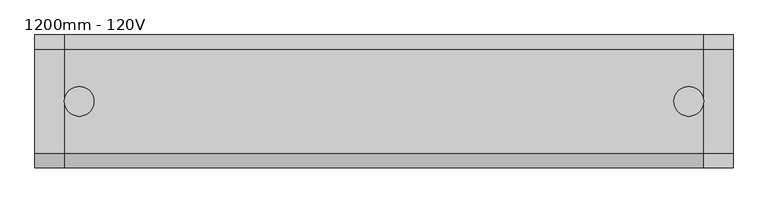
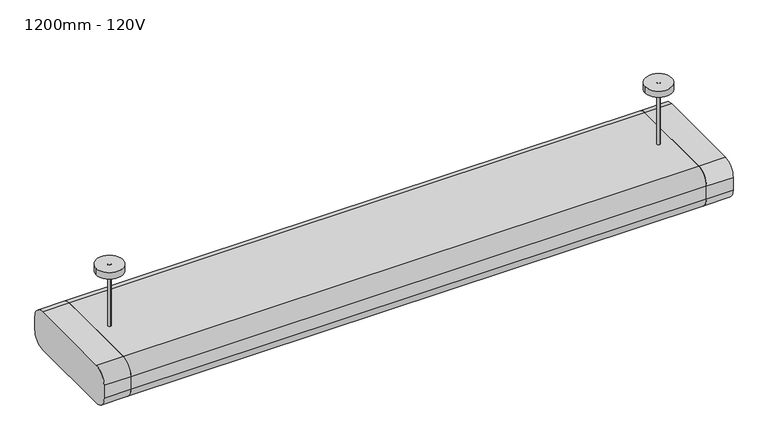
"""IFC4 building model written with IfcOpenShell, lengths in millimetres: light fixture geometry, 1200mm - 120V."""

from ifc_helpers import new_model, si_unit, point, frame, frame_2d, origin, place, context, project, spatial, polyline, circle_curve, trimmed, segment, composite_curve, outline, extrude, source, transform, mapped, element, save


def light_fixture_1200mm_120v_a37c5ce3(model_context):
    return source(origin(), model_context, "Body", "SweptSolid", [
        extrude(outline(composite_curve([segment(trimmed(circle_curve(frame_2d((88.9, 2289.2)), 25.4), [point((88.9, 2314.6))], [point((114.3, 2289.2))], False, "CARTESIAN"), True, "CONTINUOUS"), segment(polyline([(114.3, 2289.2), (114.3, 2263.8)]), True, "CONTINUOUS"), segment(trimmed(circle_curve(frame_2d((88.9, 2263.8)), 25.4), [point((114.3, 2263.8))], [point((88.9, 2238.4))], False, "CARTESIAN"), True, "CONTINUOUS"), segment(polyline([(88.9, 2238.4), (-88.9, 2238.4)]), True, "CONTINUOUS"), segment(trimmed(circle_curve(frame_2d((-88.9, 2263.8)), 25.4), [point((-88.9, 2238.4))], [point((-114.3, 2263.8))], False, "CARTESIAN"), True, "CONTINUOUS"), segment(polyline([(-114.3, 2263.8), (-114.3, 2289.2)]), True, "CONTINUOUS"), segment(trimmed(circle_curve(frame_2d((-88.9, 2289.2)), 25.4), [point((-114.3, 2289.2))], [point((-88.9, 2314.6))], False, "CARTESIAN"), True, "CONTINUOUS"), segment(polyline([(-88.9, 2314.6), (88.9, 2314.6)]), True, "CONTINUOUS")], self_intersect=False)), frame((549.2, 0.0, 0.0), z_axis=(1.0, 0.0, 0.0), x_axis=(0.0, 1.0, 0.0)), (0.0, 0.0, 1.0), 50.8),
        extrude(outline(composite_curve([segment(polyline([(-88.9, 2314.6), (88.9, 2314.6)]), True, "CONTINUOUS"), segment(trimmed(circle_curve(frame_2d((88.9, 2289.2)), 25.4), [point((88.9, 2314.6))], [point((114.3, 2289.2))], False, "CARTESIAN"), True, "CONTINUOUS"), segment(polyline([(114.3, 2289.2), (114.3, 2263.8)]), True, "CONTINUOUS"), segment(trimmed(circle_curve(frame_2d((88.9, 2263.8)), 25.4), [point((114.3, 2263.8))], [point((88.9, 2238.4))], False, "CARTESIAN"), True, "CONTINUOUS"), segment(polyline([(88.9, 2238.4), (-88.9, 2238.4)]), True, "CONTINUOUS"), segment(trimmed(circle_curve(frame_2d((-88.9, 2263.8)), 25.4), [point((-88.9, 2238.4))], [point((-114.3, 2263.8))], False, "CARTESIAN"), True, "CONTINUOUS"), segment(polyline([(-114.3, 2263.8), (-114.3, 2289.2)]), True, "CONTINUOUS"), segment(trimmed(circle_curve(frame_2d((-88.9, 2289.2)), 25.4), [point((-114.3, 2289.2))], [point((-88.9, 2314.6))], False, "CARTESIAN"), True, "CONTINUOUS")], self_intersect=False)), frame((-600.0, 0.0, 0.0), z_axis=(1.0, 0.0, 0.0), x_axis=(0.0, 1.0, 0.0)), (0.0, 0.0, 1.0), 50.8),
        extrude(outline(polyline([(549.2, 63.5), (549.2, -63.5), (-549.2, -63.5), (-549.2, 63.5), (549.2, 63.5)])), frame((0.0, 0.0, 2238.4), z_axis=(0.0, 0.0, 1.0), x_axis=(1.0, 0.0, 0.0)), (0.0, 0.0, 1.0), 12.7),
        extrude(outline(composite_curve([segment(trimmed(circle_curve(frame_2d((-523.8883785, 0.0)), 25.4), [point((-549.2883785, 0.0))], [point((-498.4883785, 0.0))], False, "CARTESIAN"), True, "CONTINUOUS"), segment(trimmed(circle_curve(frame_2d((-523.8883785, 0.0)), 25.4), [point((-498.4883785, 0.0))], [point((-549.2883785, 0.0))], False, "CARTESIAN"), True, "CONTINUOUS")], self_intersect=False)), frame((0.0, 0.0, 2425.7), z_axis=(0.0, 0.0, 1.0), x_axis=(1.0, 0.0, 0.0)), (0.0, 0.0, 1.0), 12.7),
        extrude(outline(composite_curve([segment(trimmed(circle_curve(frame_2d((523.8, 0.0)), 25.4), [point((498.4, 0.0))], [point((549.2, 0.0))], False, "CARTESIAN"), True, "CONTINUOUS"), segment(trimmed(circle_curve(frame_2d((523.8, 0.0)), 25.4), [point((549.2, 0.0))], [point((498.4, 0.0))], False, "CARTESIAN"), True, "CONTINUOUS")], self_intersect=False)), frame((0.0, 0.0, 2425.7), z_axis=(0.0, 0.0, 1.0), x_axis=(1.0, 0.0, 0.0)), (0.0, 0.0, 1.0), 12.7),
        extrude(outline(composite_curve([segment(trimmed(circle_curve(frame_2d((-523.8, 0.0)), 3.175), [point((-523.8, 3.175))], [point((-523.8, -3.175))], False, "CARTESIAN"), True, "CONTINUOUS"), segment(trimmed(circle_curve(frame_2d((-523.8, 0.0)), 3.175), [point((-523.8, -3.175))], [point((-523.8, 3.175))], False, "CARTESIAN"), True, "CONTINUOUS")], self_intersect=False)), frame((0.0, 0.0, 2314.6), z_axis=(0.0, 0.0, 1.0), x_axis=(1.0, 0.0, 0.0)), (0.0, 0.0, 1.0), 123.8),
        extrude(outline(composite_curve([segment(trimmed(circle_curve(frame_2d((523.8, 0.0)), 3.175), [point((523.8, 3.175))], [point((523.8, -3.175))], False, "CARTESIAN"), True, "CONTINUOUS"), segment(trimmed(circle_curve(frame_2d((523.8, 0.0)), 3.175), [point((523.8, -3.175))], [point((523.8, 3.175))], False, "CARTESIAN"), True, "CONTINUOUS")], self_intersect=False)), frame((0.0, 0.0, 2314.6), z_axis=(0.0, 0.0, 1.0), x_axis=(1.0, 0.0, 0.0)), (0.0, 0.0, 1.0), 123.8),
        extrude(outline(composite_curve([segment(polyline([(-88.9, 2314.6), (88.9, 2314.6)]), True, "CONTINUOUS"), segment(trimmed(circle_curve(frame_2d((88.9, 2289.2)), 25.4), [point((88.9, 2314.6))], [point((114.3, 2289.2))], False, "CARTESIAN"), True, "CONTINUOUS"), segment(polyline([(114.3, 2289.2), (114.3, 2263.8)]), True, "CONTINUOUS"), segment(trimmed(circle_curve(frame_2d((88.9, 2263.8)), 25.4), [point((114.3, 2263.8))], [point((88.9, 2238.4))], False, "CARTESIAN"), True, "CONTINUOUS"), segment(polyline([(88.9, 2238.4), (63.5, 2238.4), (63.5, 2263.8), (-63.5, 2263.8), (-63.5, 2238.4), (-88.9, 2238.4)]), True, "CONTINUOUS"), segment(trimmed(circle_curve(frame_2d((-88.9, 2263.8)), 25.4), [point((-88.9, 2238.4))], [point((-114.3, 2263.8))], False, "CARTESIAN"), True, "CONTINUOUS"), segment(polyline([(-114.3, 2263.8), (-114.3, 2289.2)]), True, "CONTINUOUS"), segment(trimmed(circle_curve(frame_2d((-88.9, 2289.2)), 25.4), [point((-114.3, 2289.2))], [point((-88.9, 2314.6))], False, "CARTESIAN"), True, "CONTINUOUS")], self_intersect=False)), frame((-549.2, 0.0, 0.0), z_axis=(1.0, 0.0, 0.0), x_axis=(0.0, 1.0, 0.0)), (0.0, 0.0, 1.0), 1098.4),
    ])


if __name__ == "__main__":
    model = new_model("IFC4")
    model_context = context("Model", 3, world=origin())
    ifc_project = project(units=[si_unit("LENGTHUNIT", "METRE", prefix="MILLI")], contexts=[model_context])
    site = spatial("IfcSite", under=ifc_project)
    building = spatial("IfcBuilding", under=site)
    placement = place(None, origin())
    light_fixture_1200mm_120v_shape = light_fixture_1200mm_120v_a37c5ce3(model_context)
    element("IfcLightFixture", 1, ObjectType="1200mm - 120V", at=placement, inside=building, context=model_context, shape_type="MappedRepresentation", body=[
        mapped(light_fixture_1200mm_120v_shape, transform((0.0, 0.0, 0.0), x_axis=(1.0, 0.0, 0.0), y_axis=(0.0, 1.0, 0.0), z_axis=(0.0, 0.0, 1.0))),
    ])
    save(model, "model.ifc")
